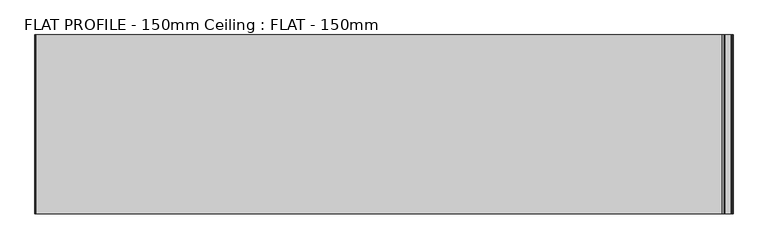
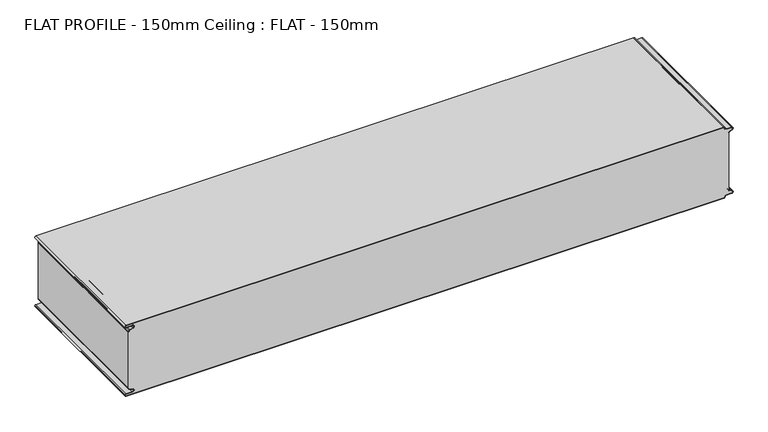
"""IFC4 building model written with IfcOpenShell, lengths in millimetres: proxy geometry, FLAT PROFILE - 150mm Ceiling : FLAT - 150mm."""

from ifc_helpers import new_model, si_unit, point, frame, frame_2d, origin, place, context, project, spatial, polyline, circle_curve, trimmed, segment, composite_curve, outline, extrude, source, transform, mapped, element, save


def flat_profile_150mm_ceiling_flat_150mm_852a941d(model_context):
    return source(origin(), model_context, "Body", "SweptSolid", [
        extrude(outline(composite_curve([segment(polyline([(2438.8871049, -591.3794419), (2438.0861162, -589.3904999), (2436.0875592, -583.8995097)]), True, "CONTINUOUS"), segment(trimmed(circle_curve(frame_2d((2432.6623524, -585.2882153)), 3.6960175), [point((2436.0875592, -583.8995097))], [point((2428.9839912, -584.9273771))], True, "CARTESIAN"), True, "CONTINUOUS"), segment(polyline([(2428.9839912, -584.9273771), (2428.9839912, -597.3733883)]), True, "CONTINUOUS"), segment(trimmed(circle_curve(frame_2d((2427.4887038, -597.4921978)), 1.5), [point((2428.9839912, -597.3733883))], [point((2426.0, -597.3084562))], False, "CARTESIAN"), True, "CONTINUOUS"), segment(polyline([(2426.0, -597.3084562), (2426.0, 596.902372)]), True, "CONTINUOUS"), segment(trimmed(circle_curve(frame_2d((2427.5073559, 596.9047345)), 1.5073578), [point((2426.0, 596.902372))], [point((2427.5460681, 598.4115951))], False, "CARTESIAN"), True, "CONTINUOUS"), segment(trimmed(circle_curve(frame_2d((2427.5, 601.9112919)), 3.5), [point((2427.5460681, 598.4115951))], [point((2431.0, 601.9112919))], True, "CARTESIAN"), True, "CONTINUOUS"), segment(polyline([(2431.0, 601.9112919), (2431.0, 612.3116271)]), True, "CONTINUOUS"), segment(trimmed(circle_curve(frame_2d((2433.1, 612.3116271)), 2.1), [point((2431.0, 612.3116271))], [point((2435.068303, 613.0435993))], False, "CARTESIAN"), True, "CONTINUOUS"), segment(polyline([(2435.068303, 613.0435993), (2435.8937017, 610.7828028), (2437.0845863, 607.8546835)]), True, "CONTINUOUS"), segment(trimmed(circle_curve(frame_2d((2439.7531065, 608.9399875)), 2.8807786), [point((2437.0845863, 607.8546835))], [point((2439.5249279, 606.0682599))], True, "CARTESIAN"), True, "CONTINUOUS"), segment(polyline([(2439.5249279, 606.0682599), (2440.7477786, 606.0107004), (2440.7477786, 607.0118076), (2559.2522214, 607.0118076), (2559.2522214, 606.0107004), (2560.4750721, 606.0682599)]), True, "CONTINUOUS"), segment(trimmed(circle_curve(frame_2d((2560.2468935, 608.9399875)), 2.8807786), [point((2560.4750721, 606.0682599))], [point((2562.9154137, 607.8546835))], True, "CARTESIAN"), True, "CONTINUOUS"), segment(polyline([(2562.9154137, 607.8546835), (2564.1062983, 610.7828028), (2564.931697, 613.0435993)]), True, "CONTINUOUS"), segment(trimmed(circle_curve(frame_2d((2566.9, 612.3116271)), 2.1), [point((2564.931697, 613.0435993))], [point((2569.0, 612.3116271))], False, "CARTESIAN"), True, "CONTINUOUS"), segment(polyline([(2569.0, 612.3116271), (2569.0, 601.9112919)]), True, "CONTINUOUS"), segment(trimmed(circle_curve(frame_2d((2572.5, 601.9112919)), 3.5), [point((2569.0, 601.9112919))], [point((2572.4539319, 598.4115951))], True, "CARTESIAN"), True, "CONTINUOUS"), segment(trimmed(circle_curve(frame_2d((2572.4926441, 596.9047345)), 1.5073578), [point((2572.4539319, 598.4115951))], [point((2574.0, 596.902372))], False, "CARTESIAN"), True, "CONTINUOUS"), segment(polyline([(2574.0, 596.902372), (2574.0, -597.3084562)]), True, "CONTINUOUS"), segment(trimmed(circle_curve(frame_2d((2572.5112962, -597.4921978)), 1.5), [point((2574.0, -597.3084562))], [point((2571.0160088, -597.3733883))], False, "CARTESIAN"), True, "CONTINUOUS"), segment(polyline([(2571.0160088, -597.3733883), (2571.0160088, -584.9273771)]), True, "CONTINUOUS"), segment(trimmed(circle_curve(frame_2d((2567.3376476, -585.2882153)), 3.6960175), [point((2571.0160088, -584.9273771))], [point((2563.9124408, -583.8995097))], True, "CARTESIAN"), True, "CONTINUOUS"), segment(polyline([(2563.9124408, -583.8995097), (2561.9138838, -589.3904999), (2561.1128951, -591.3794419)]), True, "CONTINUOUS"), segment(trimmed(circle_curve(frame_2d((2560.1831925, -591.0050311)), 1.0022625), [point((2561.1128951, -591.3794419))], [point((2560.3779338, -591.9881924))], False, "CARTESIAN"), True, "CONTINUOUS"), segment(polyline([(2560.3779338, -591.9881924), (2559.2522232, -591.9881924), (2559.2522232, -592.9881924), (2440.7477805, -592.9881924), (2440.7477805, -591.9881924), (2439.6220662, -591.9881924)]), True, "CONTINUOUS"), segment(trimmed(circle_curve(frame_2d((2439.8168075, -591.0050311)), 1.0022625), [point((2439.6220662, -591.9881924))], [point((2438.8871049, -591.3794419))], False, "CARTESIAN"), True, "CONTINUOUS")], self_intersect=False)), frame((0.0, 2188.5000019, 0.0), z_axis=(0.0, 1.0, 0.0), x_axis=(0.0, 0.0, 1.0)), (0.0, 0.0, 1.0), 311.5),
        extrude(outline(composite_curve([segment(trimmed(circle_curve(frame_2d((2439.8168075, -591.0050311)), 1.0022625), [point((2438.8871049, -591.3794419))], [point((2439.6220662, -591.9881924))], True, "CARTESIAN"), True, "CONTINUOUS"), segment(polyline([(2439.6220662, -591.9881924), (2440.7477805, -591.9881924), (2440.7477805, -592.9881924), (2439.5408967, -592.9881924)]), True, "CONTINUOUS"), segment(trimmed(circle_curve(frame_2d((2439.8168075, -591.0050311)), 2.0022625), [point((2439.5408967, -592.9881924))], [point((2437.9595011, -591.7530074))], False, "CARTESIAN"), True, "CONTINUOUS"), segment(polyline([(2437.9595011, -591.7530074), (2437.1522016, -589.7483949), (2435.1545303, -584.2598383)]), True, "CONTINUOUS"), segment(trimmed(circle_curve(frame_2d((2432.6623524, -585.2882153)), 2.6960175), [point((2435.1545303, -584.2598383))], [point((2429.9839912, -584.9801705))], True, "CARTESIAN"), True, "CONTINUOUS"), segment(polyline([(2429.9839912, -584.9801705), (2429.9839912, -597.3387672)]), True, "CONTINUOUS"), segment(trimmed(circle_curve(frame_2d((2427.4887038, -597.4921978)), 2.5), [point((2429.9839912, -597.3387672))], [point((2425.0, -597.2548091))], False, "CARTESIAN"), True, "CONTINUOUS"), segment(polyline([(2425.0, -597.2548091), (2425.0, 596.9016875)]), True, "CONTINUOUS"), segment(trimmed(circle_curve(frame_2d((2427.5073559, 596.9047345)), 2.5073578), [point((2425.0, 596.9016875))], [point((2427.5482843, 599.4117582))], False, "CARTESIAN"), True, "CONTINUOUS"), segment(trimmed(circle_curve(frame_2d((2427.5, 601.9112919)), 2.5), [point((2427.5482843, 599.4117582))], [point((2430.0, 601.9112919))], True, "CARTESIAN"), True, "CONTINUOUS"), segment(polyline([(2430.0, 601.9112919), (2430.0, 612.3116271)]), True, "CONTINUOUS"), segment(trimmed(circle_curve(frame_2d((2433.1, 612.3116271)), 3.1), [point((2430.0, 612.3116271))], [point((2436.0067312, 613.3890842))], False, "CARTESIAN"), True, "CONTINUOUS"), segment(polyline([(2436.0067312, 613.3890842), (2436.826844, 611.1427659), (2437.945075, 608.2411829)]), True, "CONTINUOUS"), segment(trimmed(circle_curve(frame_2d((2439.8407353, 609.0514567)), 2.0615701), [point((2437.945075, 608.2411829))], [point((2439.5408967, 607.0118076))], True, "CARTESIAN"), True, "CONTINUOUS"), segment(polyline([(2439.5408967, 607.0118076), (2440.7477786, 607.0118076), (2440.7477786, 606.0107004), (2439.5249279, 606.0682599)]), True, "CONTINUOUS"), segment(trimmed(circle_curve(frame_2d((2439.7531065, 608.9399875)), 2.8807786), [point((2439.5249279, 606.0682599))], [point((2437.0845863, 607.8546835))], False, "CARTESIAN"), True, "CONTINUOUS"), segment(polyline([(2437.0845863, 607.8546835), (2435.8937017, 610.7828028), (2435.068303, 613.0435993)]), True, "CONTINUOUS"), segment(trimmed(circle_curve(frame_2d((2433.1, 612.3116271)), 2.1), [point((2435.068303, 613.0435993))], [point((2431.0, 612.3116271))], True, "CARTESIAN"), True, "CONTINUOUS"), segment(polyline([(2431.0, 612.3116271), (2431.0, 601.9112919)]), True, "CONTINUOUS"), segment(trimmed(circle_curve(frame_2d((2427.5, 601.9112919)), 3.5), [point((2431.0, 601.9112919))], [point((2427.5460681, 598.4115951))], False, "CARTESIAN"), True, "CONTINUOUS"), segment(trimmed(circle_curve(frame_2d((2427.5073559, 596.9047345)), 1.5073578), [point((2427.5460681, 598.4115951))], [point((2426.0, 596.902372))], True, "CARTESIAN"), True, "CONTINUOUS"), segment(polyline([(2426.0, 596.902372), (2426.0, -597.3084562)]), True, "CONTINUOUS"), segment(trimmed(circle_curve(frame_2d((2427.4887038, -597.4921978)), 1.5), [point((2426.0, -597.3084562))], [point((2428.9839912, -597.3733883))], True, "CARTESIAN"), True, "CONTINUOUS"), segment(polyline([(2428.9839912, -597.3733883), (2428.9839912, -584.9273771)]), True, "CONTINUOUS"), segment(trimmed(circle_curve(frame_2d((2432.6623524, -585.2882153)), 3.6960175), [point((2428.9839912, -584.9273771))], [point((2436.0875592, -583.8995097))], False, "CARTESIAN"), True, "CONTINUOUS"), segment(polyline([(2436.0875592, -583.8995097), (2438.0861162, -589.3904999), (2438.8871049, -591.3794419)]), True, "CONTINUOUS")], self_intersect=False)), frame((0.0, 2188.5000019, 0.0), z_axis=(0.0, 1.0, 0.0), x_axis=(0.0, 0.0, 1.0)), (0.0, 0.0, 1.0), 311.5),
        extrude(outline(composite_curve([segment(polyline([(2561.1128951, -591.3794419), (2561.9138838, -589.3904999), (2563.9124408, -583.8995097)]), True, "CONTINUOUS"), segment(trimmed(circle_curve(frame_2d((2567.3376476, -585.2882153)), 3.6960175), [point((2563.9124408, -583.8995097))], [point((2571.0160088, -584.9273771))], False, "CARTESIAN"), True, "CONTINUOUS"), segment(polyline([(2571.0160088, -584.9273771), (2571.0160088, -597.3733883)]), True, "CONTINUOUS"), segment(trimmed(circle_curve(frame_2d((2572.5112962, -597.4921978)), 1.5), [point((2571.0160088, -597.3733883))], [point((2574.0, -597.3084562))], True, "CARTESIAN"), True, "CONTINUOUS"), segment(polyline([(2574.0, -597.3084562), (2574.0, 596.902372)]), True, "CONTINUOUS"), segment(trimmed(circle_curve(frame_2d((2572.4926441, 596.9047345)), 1.5073578), [point((2574.0, 596.902372))], [point((2572.4539319, 598.4115951))], True, "CARTESIAN"), True, "CONTINUOUS"), segment(trimmed(circle_curve(frame_2d((2572.5, 601.9112919)), 3.5), [point((2572.4539319, 598.4115951))], [point((2569.0, 601.9112919))], False, "CARTESIAN"), True, "CONTINUOUS"), segment(polyline([(2569.0, 601.9112919), (2569.0, 612.3116271)]), True, "CONTINUOUS"), segment(trimmed(circle_curve(frame_2d((2566.9, 612.3116271)), 2.1), [point((2569.0, 612.3116271))], [point((2564.931697, 613.0435993))], True, "CARTESIAN"), True, "CONTINUOUS"), segment(polyline([(2564.931697, 613.0435993), (2564.1062983, 610.7828028), (2562.9154137, 607.8546835)]), True, "CONTINUOUS"), segment(trimmed(circle_curve(frame_2d((2560.2468935, 608.9399875)), 2.8807786), [point((2562.9154137, 607.8546835))], [point((2560.4750721, 606.0682599))], False, "CARTESIAN"), True, "CONTINUOUS"), segment(polyline([(2560.4750721, 606.0682599), (2559.2522214, 606.0107004), (2559.2522214, 607.0118076), (2560.4591033, 607.0118076)]), True, "CONTINUOUS"), segment(trimmed(circle_curve(frame_2d((2560.1592647, 609.0514567)), 2.0615701), [point((2560.4591033, 607.0118076))], [point((2562.054925, 608.2411829))], True, "CARTESIAN"), True, "CONTINUOUS"), segment(polyline([(2562.054925, 608.2411829), (2563.173156, 611.1427659), (2563.9932688, 613.3890842)]), True, "CONTINUOUS"), segment(trimmed(circle_curve(frame_2d((2566.9, 612.3116271)), 3.1), [point((2563.9932688, 613.3890842))], [point((2570.0, 612.3116271))], False, "CARTESIAN"), True, "CONTINUOUS"), segment(polyline([(2570.0, 612.3116271), (2570.0, 601.9112919)]), True, "CONTINUOUS"), segment(trimmed(circle_curve(frame_2d((2572.5, 601.9112919)), 2.5), [point((2570.0, 601.9112919))], [point((2572.4517157, 599.4117582))], True, "CARTESIAN"), True, "CONTINUOUS"), segment(trimmed(circle_curve(frame_2d((2572.4926441, 596.9047345)), 2.5073578), [point((2572.4517157, 599.4117582))], [point((2575.0, 596.9016875))], False, "CARTESIAN"), True, "CONTINUOUS"), segment(polyline([(2575.0, 596.9016875), (2575.0, -597.2548091)]), True, "CONTINUOUS"), segment(trimmed(circle_curve(frame_2d((2572.5112962, -597.4921978)), 2.5), [point((2575.0, -597.2548091))], [point((2570.0160088, -597.3387672))], False, "CARTESIAN"), True, "CONTINUOUS"), segment(polyline([(2570.0160088, -597.3387672), (2570.0160088, -584.9801705)]), True, "CONTINUOUS"), segment(trimmed(circle_curve(frame_2d((2567.3376476, -585.2882153)), 2.6960175), [point((2570.0160088, -584.9801705))], [point((2564.8454697, -584.2598383))], True, "CARTESIAN"), True, "CONTINUOUS"), segment(polyline([(2564.8454697, -584.2598383), (2562.8477984, -589.7483949), (2562.0404989, -591.7530074)]), True, "CONTINUOUS"), segment(trimmed(circle_curve(frame_2d((2560.1831925, -591.0050311)), 2.0022625), [point((2562.0404989, -591.7530074))], [point((2560.4591033, -592.9881924))], False, "CARTESIAN"), True, "CONTINUOUS"), segment(polyline([(2560.4591033, -592.9881924), (2559.2522195, -592.9881924), (2559.2522195, -591.9881924), (2560.3779338, -591.9881924)]), True, "CONTINUOUS"), segment(trimmed(circle_curve(frame_2d((2560.1831925, -591.0050311)), 1.0022625), [point((2560.3779338, -591.9881924))], [point((2561.1128951, -591.3794419))], True, "CARTESIAN"), True, "CONTINUOUS")], self_intersect=False)), frame((0.0, 2188.5000019, 0.0), z_axis=(0.0, 1.0, 0.0), x_axis=(0.0, 0.0, 1.0)), (0.0, 0.0, 1.0), 311.5),
    ])


if __name__ == "__main__":
    model = new_model("IFC4")
    model_context = context("Model", 3, world=origin())
    ifc_project = project(units=[si_unit("LENGTHUNIT", "METRE", prefix="MILLI")], contexts=[model_context])
    site = spatial("IfcSite", under=ifc_project)
    building = spatial("IfcBuilding", under=site)
    placement = place(None, origin())
    flat_profile_150mm_ceiling_flat_150mm_shape = flat_profile_150mm_ceiling_flat_150mm_852a941d(model_context)
    element("IfcBuildingElementProxy", 1, Name="FLAT PROFILE - 150mm Ceiling : FLAT - 150mm", ObjectType="FLAT PROFILE - 150mm Ceiling : FLAT - 150mm", at=placement, inside=building, context=model_context, shape_type="MappedRepresentation", body=[
        mapped(flat_profile_150mm_ceiling_flat_150mm_shape, transform((0.0, 0.0, 0.0), x_axis=(1.0, 0.0, 0.0), y_axis=(0.0, 1.0, 0.0), z_axis=(0.0, 0.0, 1.0))),
    ])
    save(model, "model.ifc")
